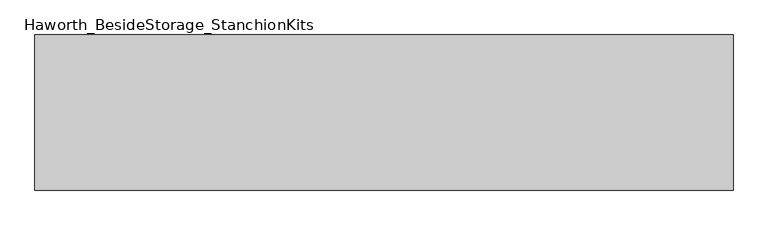
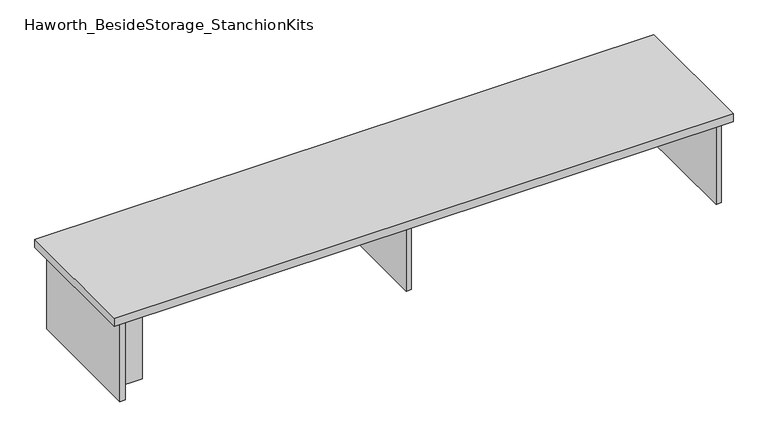
"""IFC4 building model written with IfcOpenShell, lengths in millimetres: furniture geometry, Haworth_BesideStorage_StanchionKits."""

from ifc_helpers import new_model, si_unit, frame, origin, place, context, project, spatial, polyline, outline, extrude, source, transform, mapped, element, save


def haworth_besidestorage_stanchionkits_4982c657(model_context):
    return source(origin(), model_context, "Body", "SweptSolid", [
        extrude(outline(polyline([(1076.325, 0.0), (1076.325, -406.4), (-752.475, -406.4), (-752.475, 0.0), (1076.325, 0.0)])), frame((0.0, 0.0, 685.8), z_axis=(0.0, 0.0, 1.0), x_axis=(1.0, 0.0, 0.0)), (0.0, 0.0, 1.0), 25.4),
        extrude(outline(polyline([(949.325, -76.2), (1035.05, -76.2), (1035.05, -92.075), (949.325, -92.075), (949.325, -76.2)])), frame((0.0, 0.0, 431.8), z_axis=(0.0, 0.0, 1.0), x_axis=(1.0, 0.0, 0.0)), (0.0, 0.0, 1.0), 254.0),
        extrude(outline(polyline([(-625.475, -314.325), (-625.475, -330.2), (-711.2, -330.2), (-711.2, -314.325), (-625.475, -314.325)])), frame((0.0, 0.0, 431.8), z_axis=(0.0, 0.0, 1.0), x_axis=(1.0, 0.0, 0.0)), (0.0, 0.0, 1.0), 254.0),
        extrude(outline(polyline([(169.8625, -330.2), (153.9875, -330.2), (153.9875, -76.2), (169.8625, -76.2), (169.8625, -330.2)])), frame((0.0, 0.0, 431.8), z_axis=(0.0, 0.0, 1.0), x_axis=(1.0, 0.0, 0.0)), (0.0, 0.0, 1.0), 254.0),
        extrude(outline(polyline([(1050.925, -390.525), (1035.05, -390.525), (1035.05, -15.875), (1050.925, -15.875), (1050.925, -390.525)])), frame((0.0, 0.0, 431.8), z_axis=(0.0, 0.0, 1.0), x_axis=(1.0, 0.0, 0.0)), (0.0, 0.0, 1.0), 254.0),
        extrude(outline(polyline([(-711.2, -390.525), (-727.075, -390.525), (-727.075, -15.875), (-711.2, -15.875), (-711.2, -390.525)])), frame((0.0, 0.0, 431.8), z_axis=(0.0, 0.0, 1.0), x_axis=(1.0, 0.0, 0.0)), (0.0, 0.0, 1.0), 254.0),
    ])


if __name__ == "__main__":
    model = new_model("IFC4")
    model_context = context("Model", 3, world=origin())
    ifc_project = project(units=[si_unit("LENGTHUNIT", "METRE", prefix="MILLI")], contexts=[model_context])
    site = spatial("IfcSite", under=ifc_project)
    building = spatial("IfcBuilding", under=site)
    placement = place(None, origin())
    haworth_besidestorage_stanchionkits_shape = haworth_besidestorage_stanchionkits_4982c657(model_context)
    element("IfcFurniture", 1, ObjectType="Haworth_BesideStorage_StanchionKits", at=placement, inside=building, context=model_context, shape_type="MappedRepresentation", body=[
        mapped(haworth_besidestorage_stanchionkits_shape, transform((0.0, 0.0, 0.0), x_axis=(1.0, 0.0, 0.0), y_axis=(0.0, 1.0, 0.0), z_axis=(0.0, 0.0, 1.0))),
    ])
    save(model, "model.ifc")
